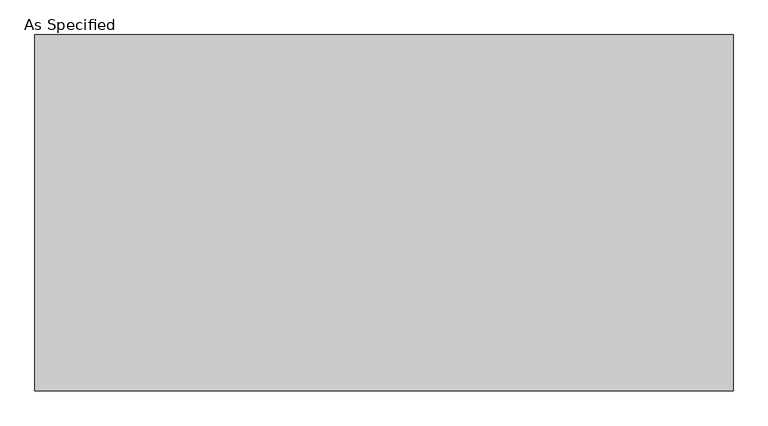
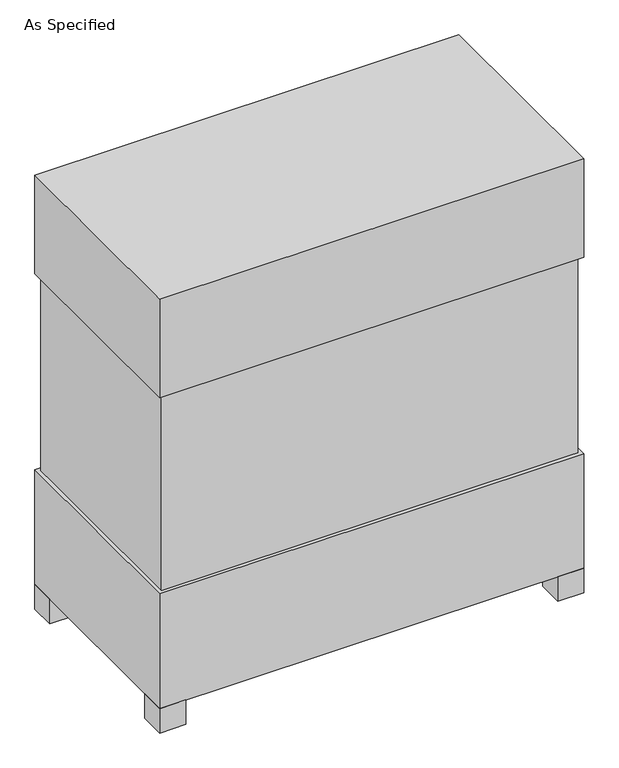
"""IFC4 building model written with IfcOpenShell, lengths in millimetres: proxy geometry, As Specified."""

import ifcopenshell
import ifcopenshell.guid

model = None  # the IFC model being written
_history = None  # IfcOwnerHistory: only IFC2X3 demands one
_inside = {}  # id of a spatial element -> (the spatial element, [elements in it])
_under = {}  # id of a project, library or spatial element -> (it, [spatial elements below it])
_declared = {}  # id of a project -> (the project, [libraries it declares])
_typed = {}  # id of a type object -> (the type object, [elements of that type])
_made_of = {}  # id of a material, layer set ... -> (it, [elements and type objects made of it])


def new_model(schema):
    """Start an empty IFC model of exactly this schema.

    Asked for "IFC4X3", IfcOpenShell would pick the latest addendum, in which some entities
    have other attributes; the version numbers below select the first issue.
    IFC2X3 requires an IfcOwnerHistory on every rooted entity: one is made here for all.
    """
    global model, _history
    if schema == "IFC4X3":
        model = ifcopenshell.file(schema_version=(4, 3, 0, 0))
    else:
        model = ifcopenshell.file(schema=schema)
    _inside.clear()
    _under.clear()
    _declared.clear()
    _typed.clear()
    _made_of.clear()
    _history = None
    if model.schema == "IFC2X3":
        org = make("IfcOrganization", Name="unknown")
        user = make(
            "IfcPersonAndOrganization",
            ThePerson=make("IfcPerson", FamilyName="unknown"),
            TheOrganization=org,
        )
        app = make(
            "IfcApplication",
            ApplicationDeveloper=org,
            Version="unknown",
            ApplicationFullName="unknown",
            ApplicationIdentifier="unknown",
        )
        _history = make(
            "IfcOwnerHistory",
            OwningUser=user,
            OwningApplication=app,
            ChangeAction="ADDED",
            CreationDate=0,
        )
    return model


def make(cls, **values):
    """One entity of the class cls with the attributes given. An attribute that is None is left unset."""
    return model.create_entity(
        cls, **{name: value for name, value in values.items() if value is not None}
    )


def rooted(cls, **values):
    """An entity with a GlobalId (a new one), such as an element, a storey or a relation."""
    return make(cls, GlobalId=ifcopenshell.guid.new(), OwnerHistory=_history, **values)


def si_unit(unit_type, name, prefix=None):
    """IfcSIUnit, for example si_unit("LENGTHUNIT", "METRE", prefix="MILLI")."""
    return make("IfcSIUnit", UnitType=unit_type, Prefix=prefix, Name=name)


def assignment(units):
    """IfcUnitAssignment: the units of a project."""
    return None if units is None else make("IfcUnitAssignment", Units=units)


def point(xyz):
    """IfcCartesianPoint."""
    return None if xyz is None else make("IfcCartesianPoint", Coordinates=xyz)


def direction(xyz):
    """IfcDirection."""
    return None if xyz is None else make("IfcDirection", DirectionRatios=xyz)


def frame(location, z_axis=None, x_axis=None):
    """IfcAxis2Placement3D, a coordinate frame: its origin and axes. An axis left out is left unset."""
    return make(
        "IfcAxis2Placement3D",
        Location=point(location),
        Axis=direction(z_axis),
        RefDirection=direction(x_axis),
    )


def origin():
    """The frame at (0, 0, 0) with its axes left unset."""
    return frame((0.0, 0.0, 0.0))


def origin_with_axes():
    """The frame at (0, 0, 0) with the z axis (0, 0, 1) and the x axis (1, 0, 0) written out."""
    return frame((0.0, 0.0, 0.0), z_axis=(0.0, 0.0, 1.0), x_axis=(1.0, 0.0, 0.0))


def place(relative_to, where):
    """IfcLocalPlacement: puts the frame where relative to a parent placement (None: the world)."""
    return make(
        "IfcLocalPlacement", PlacementRelTo=relative_to, RelativePlacement=where
    )


def context(
    kind, dimensions, precision=None, world=None, true_north=None, identifier=None
):
    """IfcGeometricRepresentationContext, for example the 3D "Model" context."""
    return make(
        "IfcGeometricRepresentationContext",
        ContextIdentifier=identifier,
        ContextType=kind,
        CoordinateSpaceDimension=dimensions,
        Precision=precision,
        WorldCoordinateSystem=world,
        TrueNorth=true_north,
    )


def project(units=None, contexts=None):
    """IfcProject with its units and contexts."""
    return rooted(
        "IfcProject",
        Name="project",
        RepresentationContexts=contexts,
        UnitsInContext=assignment(units),
    )


def spatial(cls, under=None, at=None, **own):
    """A site, building, storey or space (cls), placed at a placement, below another one or the project."""
    s = rooted(cls, ObjectPlacement=at, **own)
    if under is not None:
        _under.setdefault(under.id(), (under, []))[1].append(s)
    return s


def polyline(points):
    """IfcPolyline through the points."""
    return make("IfcPolyline", Points=[point(p) for p in points])


def outline(outer, holes=None, kind="AREA"):
    """IfcArbitraryClosedProfileDef: a profile drawn as a closed curve; with holes, ...WithVoids."""
    if holes is None:
        return make("IfcArbitraryClosedProfileDef", ProfileType=kind, OuterCurve=outer)
    return make(
        "IfcArbitraryProfileDefWithVoids",
        ProfileType=kind,
        OuterCurve=outer,
        InnerCurves=holes,
    )


def extrude(swept, where, along, depth):
    """IfcExtrudedAreaSolid: the profile swept, set in the frame where, extruded along a direction by depth."""
    return make(
        "IfcExtrudedAreaSolid",
        SweptArea=swept,
        Position=where,
        ExtrudedDirection=direction(along),
        Depth=depth,
    )


def shape(context_of_items, identifier, shape_type, items):
    """IfcShapeRepresentation: the items that make up one representation, for example the "Body"."""
    return make(
        "IfcShapeRepresentation",
        ContextOfItems=context_of_items,
        RepresentationIdentifier=identifier,
        RepresentationType=shape_type,
        Items=items,
    )


def source(mapping_origin, context_of_items, identifier, shape_type, items):
    """IfcRepresentationMap: a shape defined once, which mapped items show again and again."""
    return make(
        "IfcRepresentationMap",
        MappingOrigin=mapping_origin,
        MappedRepresentation=shape(context_of_items, identifier, shape_type, items),
    )


def transform(
    local_origin,
    x_axis=None,
    y_axis=None,
    z_axis=None,
    scale=None,
    scale2=None,
    scale3=None,
    uniform=True,
):
    """IfcCartesianTransformationOperator3D, or its non-uniform kind. x_axis, y_axis, z_axis: its Axis1, 2, 3."""
    if uniform:
        return make(
            "IfcCartesianTransformationOperator3D",
            Axis1=direction(x_axis),
            Axis2=direction(y_axis),
            LocalOrigin=point(local_origin),
            Scale=scale,
            Axis3=direction(z_axis),
        )
    return make(
        "IfcCartesianTransformationOperator3DnonUniform",
        Axis1=direction(x_axis),
        Axis2=direction(y_axis),
        LocalOrigin=point(local_origin),
        Scale=scale,
        Axis3=direction(z_axis),
        Scale2=scale2,
        Scale3=scale3,
    )


def mapped(mapping_source, mapping_target):
    """IfcMappedItem: shows the shape of a source again, moved by a transform."""
    return make(
        "IfcMappedItem", MappingSource=mapping_source, MappingTarget=mapping_target
    )


def made_of(thing, what):
    """Note that an element or type object is made of a material, layer set ...; save() writes the relation."""
    if what is not None:
        _made_of.setdefault(what.id(), (what, []))[1].append(thing)
    return thing


def element(
    cls,
    number,
    at=None,
    inside=None,
    cuts=None,
    type_object=None,
    material=None,
    context=None,
    identifier="Body",
    shape_type=None,
    held_by="IfcProductDefinitionShape",
    body=None,
    shapes=None,
    **own,
):
    """One element of the class cls, such as IfcWall. Its Tag is "e" and its number.

    at: its placement. inside: the storey or other place that contains it. cuts: it is an
    opening in that element (IfcRelVoidsElement). A single representation is given by context,
    identifier, shape_type and body (its items); several are given by shapes. held_by: the class
    of the entity that holds the representations. save() writes the other relations.
    """
    e = rooted(cls, Tag="e%d" % number, ObjectPlacement=at, **own)
    if body is not None:
        shapes = [shape(context, identifier, shape_type, body)]
    if shapes is not None:
        e.Representation = make(held_by, Representations=shapes)
    if inside is not None:
        _inside.setdefault(inside.id(), (inside, []))[1].append(e)
    if cuts is not None:
        rooted(
            "IfcRelVoidsElement", RelatingBuildingElement=cuts, RelatedOpeningElement=e
        )
    if type_object is not None:
        _typed.setdefault(type_object.id(), (type_object, []))[1].append(e)
    return made_of(e, material)


def aggregate(whole, parts):
    """IfcRelAggregates: a whole, such as a stair, and the parts it consists of."""
    return rooted("IfcRelAggregates", RelatingObject=whole, RelatedObjects=parts)


def save(model, path):
    """Write the relations noted so far, then the file.

    IfcRelAggregates (storeys below a building ...), IfcRelContainedInSpatialStructure (elements
    in a storey), IfcRelDefinesByType, IfcRelAssociatesMaterial and IfcRelDeclares: one each for
    every whole, place, type object, material and project.
    """
    for whole, parts in _under.values():
        aggregate(whole, parts)
    for where, things in _inside.values():
        rooted(
            "IfcRelContainedInSpatialStructure",
            RelatedElements=things,
            RelatingStructure=where,
        )
    for kind, things in _typed.values():
        rooted("IfcRelDefinesByType", RelatedObjects=things, RelatingType=kind)
    for what, things in _made_of.values():
        rooted("IfcRelAssociatesMaterial", RelatedObjects=things, RelatingMaterial=what)
    for by, libraries in _declared.values():
        rooted("IfcRelDeclares", RelatingContext=by, RelatedDefinitions=libraries)
    model.write(path)


def as_specified_6d55d6ca(model_context):
    return source(origin(), model_context, "Body", "SweptSolid", [
        extrude(outline(polyline([(611.1875, 306.3875), (611.1875, -306.3875), (-611.1875, -306.3875), (-611.1875, 306.3875), (611.1875, 306.3875)])), frame((0.0, 0.0, 431.8), z_axis=(0.0, 0.0, 1.0), x_axis=(1.0, 0.0, 0.0)), (0.0, 0.0, 1.0), 609.6),
        extrude(outline(polyline([(622.3, 317.5), (622.3, -317.5), (-622.3, -317.5), (-622.3, 317.5), (622.3, 317.5)])), frame((0.0, 0.0, 1041.4), z_axis=(0.0, 0.0, 1.0), x_axis=(1.0, 0.0, 0.0)), (0.0, 0.0, 1.0), 304.8),
        extrude(outline(polyline([(508.0, 228.6), (508.0, 152.4), (431.8, 152.4), (431.8, 228.6), (508.0, 228.6)])), frame((0.0, 0.0, 50.8), z_axis=(0.0, 0.0, 1.0), x_axis=(1.0, 0.0, 0.0)), (0.0, 0.0, 1.0), 25.4),
        extrude(outline(polyline([(508.0, -228.6), (431.8, -228.6), (431.8, -152.4), (508.0, -152.4), (508.0, -228.6)])), frame((0.0, 0.0, 50.8), z_axis=(0.0, 0.0, 1.0), x_axis=(1.0, 0.0, 0.0)), (0.0, 0.0, 1.0), 25.4),
        extrude(outline(polyline([(-546.1, 317.5), (-546.1, 241.3), (-622.3, 241.3), (-622.3, 317.5), (-546.1, 317.5)])), origin_with_axes(), (0.0, 0.0, 1.0), 76.2),
        extrude(outline(polyline([(622.3, 317.5), (622.3, 241.3), (546.1, 241.3), (546.1, 317.5), (622.3, 317.5)])), origin_with_axes(), (0.0, 0.0, 1.0), 76.2),
        extrude(outline(polyline([(622.3, -241.3), (622.3, -317.5), (546.1, -317.5), (546.1, -241.3), (622.3, -241.3)])), origin_with_axes(), (0.0, 0.0, 1.0), 76.2),
        extrude(outline(polyline([(-546.1, -241.3), (-546.1, -317.5), (-622.3, -317.5), (-622.3, -241.3), (-546.1, -241.3)])), origin_with_axes(), (0.0, 0.0, 1.0), 76.2),
        extrude(outline(polyline([(622.3, 317.5), (622.3, -317.5), (-622.3, -317.5), (-622.3, 317.5), (622.3, 317.5)])), frame((0.0, 0.0, 76.2), z_axis=(0.0, 0.0, 1.0), x_axis=(1.0, 0.0, 0.0)), (0.0, 0.0, 1.0), 355.6),
    ])


if __name__ == "__main__":
    model = new_model("IFC4")
    model_context = context("Model", 3, world=origin())
    ifc_project = project(units=[si_unit("LENGTHUNIT", "METRE", prefix="MILLI")], contexts=[model_context])
    site = spatial("IfcSite", under=ifc_project)
    building = spatial("IfcBuilding", under=site)
    placement = place(None, origin())
    as_specified_shape = as_specified_6d55d6ca(model_context)
    element("IfcBuildingElementProxy", 1, Name="As Specified", ObjectType="As Specified", at=placement, inside=building, context=model_context, shape_type="MappedRepresentation", body=[
        mapped(as_specified_shape, transform((0.0, 0.0, 0.0), x_axis=(1.0, 0.0, 0.0), y_axis=(0.0, 1.0, 0.0), z_axis=(0.0, 0.0, 1.0))),
    ])
    save(model, "model.ifc")
